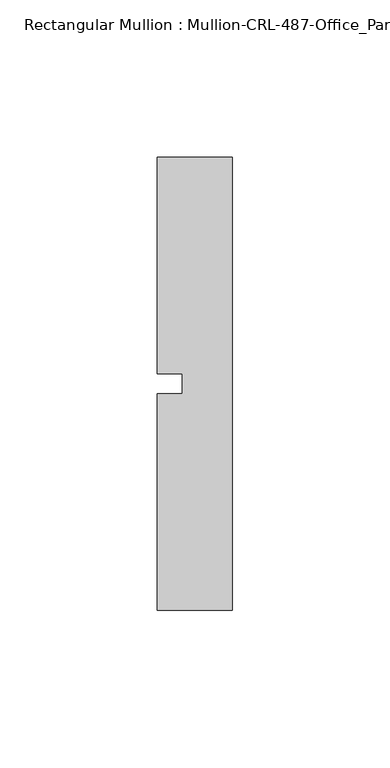
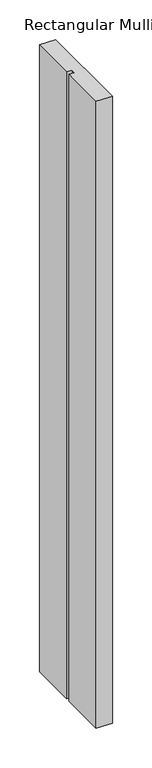
"""IFC4 building model written with IfcOpenShell, lengths in millimetres: member geometry, Rectangular Mullion : Mullion-CRL-487-Office_Partition-Head."""

from ifc_helpers import new_model, si_unit, frame, origin, place, context, project, spatial, polyline, outline, extrude, source, transform, mapped, element, save


def rectangular_mullion_mullion_crl_487_office_partition_head_826dbfab(model_context):
    return source(origin(), model_context, "Body", "SweptSolid", [
        extrude(outline(polyline([(-23.7998, -71.9452143), (-23.7998, -3.175), (-15.8623, -3.175), (-15.8623, 3.175), (-23.7998, 3.175), (-23.7998, 71.9452142), (0.0, 71.9452142), (0.0, -71.9452143), (-23.7998, -71.9452143)])), frame((0.0, 0.0, -968.4004), z_axis=(0.0, 0.0, 1.0), x_axis=(1.0, 0.0, 0.0)), (0.0, 0.0, 1.0), 968.4004),
    ])


if __name__ == "__main__":
    model = new_model("IFC4")
    model_context = context("Model", 3, world=origin())
    ifc_project = project(units=[si_unit("LENGTHUNIT", "METRE", prefix="MILLI")], contexts=[model_context])
    site = spatial("IfcSite", under=ifc_project)
    building = spatial("IfcBuilding", under=site)
    placement = place(None, origin())
    rectangular_mullion_mullion_crl_487_office_partition_head_shape = rectangular_mullion_mullion_crl_487_office_partition_head_826dbfab(model_context)
    element("IfcMember", 1, ObjectType="Rectangular Mullion : Mullion-CRL-487-Office_Partition-Head", at=placement, inside=building, context=model_context, shape_type="MappedRepresentation", body=[
        mapped(rectangular_mullion_mullion_crl_487_office_partition_head_shape, transform((0.0, 0.0, 0.0), x_axis=(1.0, 0.0, 0.0), y_axis=(0.0, 1.0, 0.0), z_axis=(0.0, 0.0, 1.0))),
    ])
    save(model, "model.ifc")
